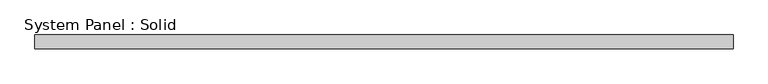
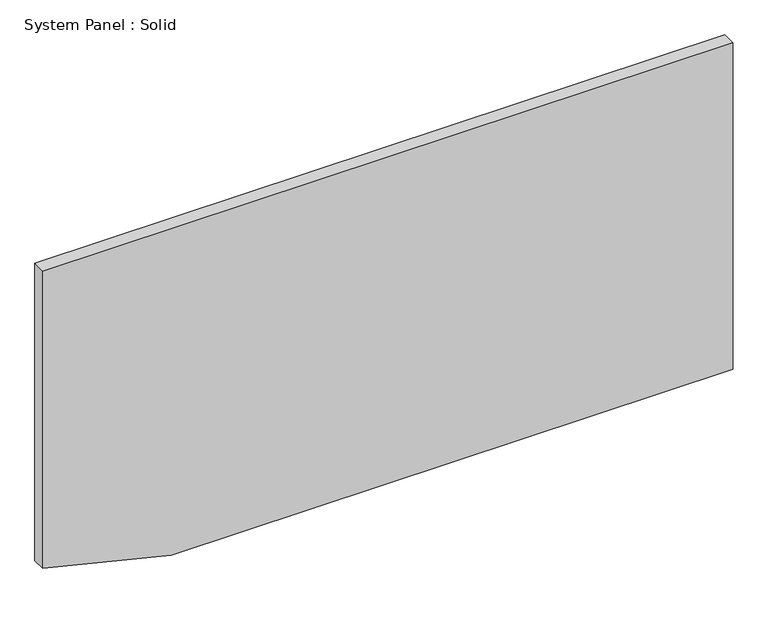
"""IFC4 building model written with IfcOpenShell, lengths in millimetres: plate geometry, System Panel : Solid."""

from ifc_helpers import new_model, si_unit, frame, origin, place, context, project, spatial, polyline, outline, extrude, source, transform, mapped, element, save


def system_panel_solid_24172554(model_context):
    return source(origin(), model_context, "Body", "SweptSolid", [
        extrude(outline(polyline([(0.0, -941.2660353), (0.0, 1500.0), (1500.0, 1500.0), (1500.0, -1500.0), (134.9994414, -1500.0), (0.0, -941.2660353)])), frame((0.0, -10.5, 0.0), z_axis=(0.0, 1.0, 0.0), x_axis=(0.0, 0.0, 1.0)), (0.0, 0.0, 1.0), 60.0),
    ])


if __name__ == "__main__":
    model = new_model("IFC4")
    model_context = context("Model", 3, world=origin())
    ifc_project = project(units=[si_unit("LENGTHUNIT", "METRE", prefix="MILLI")], contexts=[model_context])
    site = spatial("IfcSite", under=ifc_project)
    building = spatial("IfcBuilding", under=site)
    placement = place(None, origin())
    system_panel_solid_shape = system_panel_solid_24172554(model_context)
    element("IfcPlate", 1, ObjectType="System Panel : Solid", at=placement, inside=building, context=model_context, shape_type="MappedRepresentation", body=[
        mapped(system_panel_solid_shape, transform((0.0, 0.0, 0.0), x_axis=(1.0, 0.0, 0.0), y_axis=(0.0, 1.0, 0.0), z_axis=(0.0, 0.0, 1.0))),
    ])
    save(model, "model.ifc")
